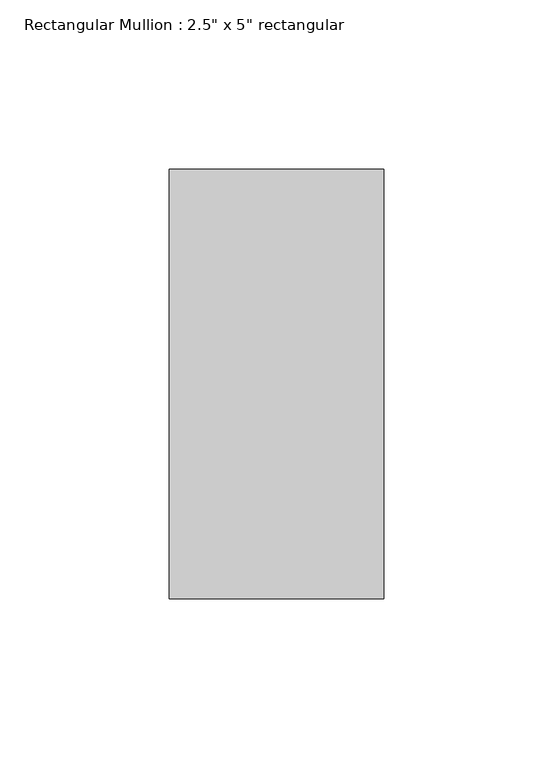
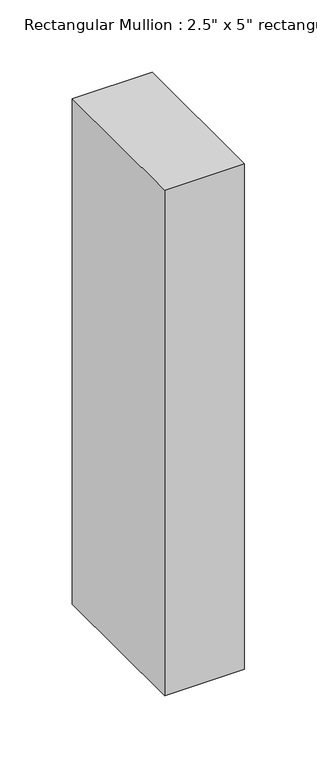
"""IFC4 building model written with IfcOpenShell, lengths in millimetres: member geometry."""

from ifc_helpers import new_model, si_unit, frame, origin, place, context, project, spatial, polyline, outline, extrude, source, transform, mapped, element, save


def member_84b97a81(model_context):
    return source(origin(), model_context, "Body", "SweptSolid", [
        extrude(outline(polyline([(0.0, 63.5), (0.0, -63.5), (-63.5, -63.5), (-63.5, 63.5), (0.0, 63.5)])), frame((0.0, 0.0, -425.45), z_axis=(0.0, 0.0, 1.0), x_axis=(1.0, 0.0, 0.0)), (0.0, 0.0, 1.0), 425.45),
    ])


if __name__ == "__main__":
    model = new_model("IFC4")
    model_context = context("Model", 3, world=origin())
    ifc_project = project(units=[si_unit("LENGTHUNIT", "METRE", prefix="MILLI")], contexts=[model_context])
    site = spatial("IfcSite", under=ifc_project)
    building = spatial("IfcBuilding", under=site)
    placement = place(None, origin())
    member_shape = member_84b97a81(model_context)
    element("IfcMember", 1, ObjectType="Rectangular Mullion : 2.5\" x 5\" rectangular", at=placement, inside=building, context=model_context, shape_type="MappedRepresentation", body=[
        mapped(member_shape, transform((0.0, 0.0, 0.0), x_axis=(1.0, 0.0, 0.0), y_axis=(0.0, 1.0, 0.0), z_axis=(0.0, 0.0, 1.0))),
    ])
    save(model, "model.ifc")
